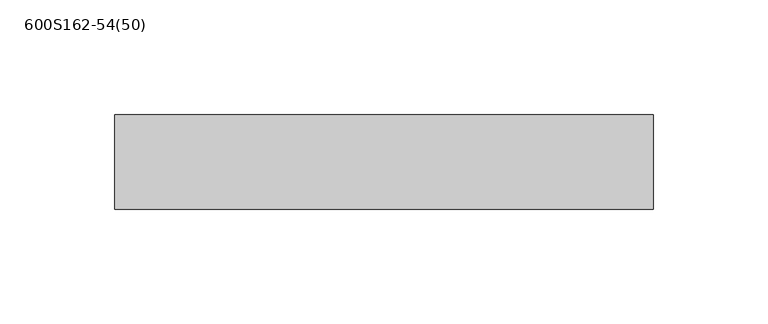
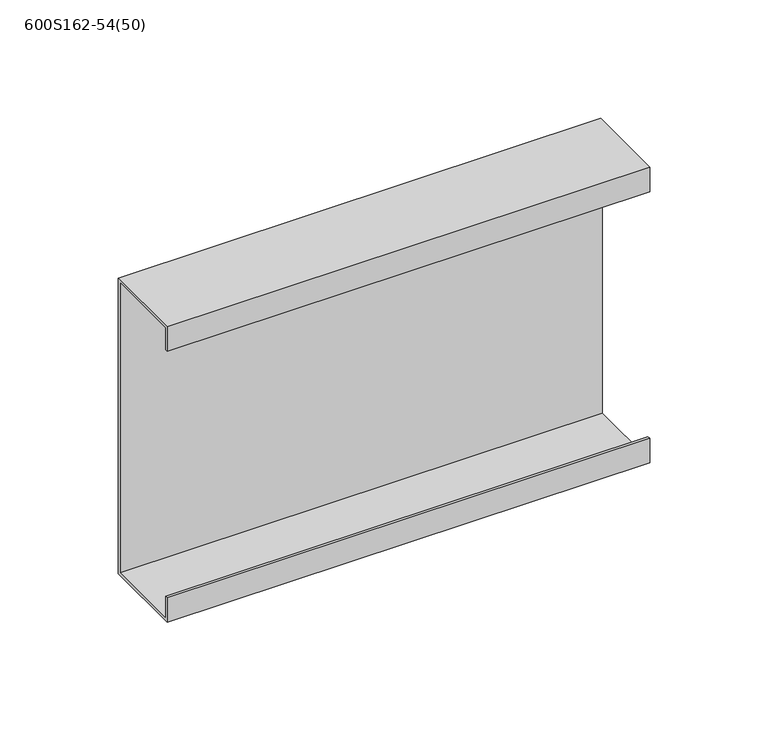
"""IFC4 building model written with IfcOpenShell, lengths in millimetres: member geometry, 600S162-54(50)."""

from ifc_helpers import new_model, si_unit, frame, origin, place, context, project, spatial, polyline, outline, extrude, source, transform, mapped, element, save


def member_600s162_54_50_e833ddbb(model_context):
    return source(origin(), model_context, "Body", "SweptSolid", [
        extrude(outline(polyline([(20.6375, 76.2), (20.6375, -76.2), (-20.6375, -76.2), (-20.6375, -63.5), (-19.2484375, -63.5), (-19.2484375, -74.8109375), (19.2484375, -74.8109375), (19.2484375, 74.8109375), (-19.2484375, 74.8109375), (-19.2484375, 63.5), (-20.6375, 63.5), (-20.6375, 76.2), (20.6375, 76.2)])), frame((-117.5, 0.0, 0.0), z_axis=(1.0, 0.0, 0.0), x_axis=(0.0, 1.0, 0.0)), (0.0, 0.0, 1.0), 235.0),
    ])


if __name__ == "__main__":
    model = new_model("IFC4")
    model_context = context("Model", 3, world=origin())
    ifc_project = project(units=[si_unit("LENGTHUNIT", "METRE", prefix="MILLI")], contexts=[model_context])
    site = spatial("IfcSite", under=ifc_project)
    building = spatial("IfcBuilding", under=site)
    placement = place(None, origin())
    member_600s162_54_50_shape = member_600s162_54_50_e833ddbb(model_context)
    element("IfcMember", 1, ObjectType="600S162-54(50)", at=placement, inside=building, context=model_context, shape_type="MappedRepresentation", body=[
        mapped(member_600s162_54_50_shape, transform((0.0, 0.0, 0.0), x_axis=(1.0, 0.0, 0.0), y_axis=(0.0, 1.0, 0.0), z_axis=(0.0, 0.0, 1.0))),
    ])
    save(model, "model.ifc")
